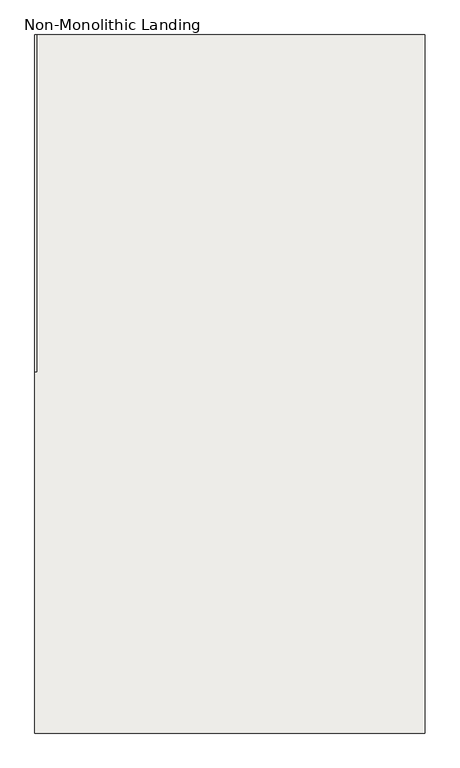
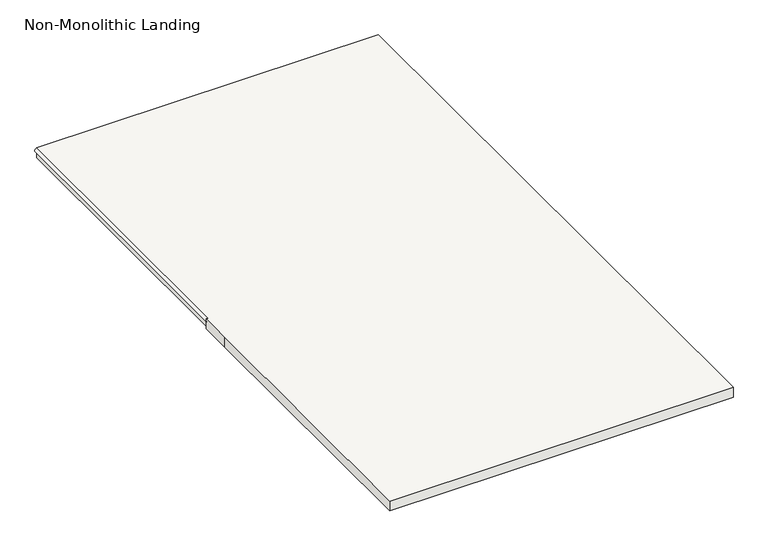
"""IFC4 building model written with IfcOpenShell, lengths in millimetres: slab geometry, Non-Monolithic Landing."""

import ifcopenshell
import ifcopenshell.guid

model = None  # the IFC model being written
_history = None  # IfcOwnerHistory: only IFC2X3 demands one
_inside = {}  # id of a spatial element -> (the spatial element, [elements in it])
_under = {}  # id of a project, library or spatial element -> (it, [spatial elements below it])
_declared = {}  # id of a project -> (the project, [libraries it declares])
_typed = {}  # id of a type object -> (the type object, [elements of that type])
_made_of = {}  # id of a material, layer set ... -> (it, [elements and type objects made of it])


def new_model(schema):
    """Start an empty IFC model of exactly this schema.

    Asked for "IFC4X3", IfcOpenShell would pick the latest addendum, in which some entities
    have other attributes; the version numbers below select the first issue.
    IFC2X3 requires an IfcOwnerHistory on every rooted entity: one is made here for all.
    """
    global model, _history
    if schema == "IFC4X3":
        model = ifcopenshell.file(schema_version=(4, 3, 0, 0))
    else:
        model = ifcopenshell.file(schema=schema)
    _inside.clear()
    _under.clear()
    _declared.clear()
    _typed.clear()
    _made_of.clear()
    _history = None
    if model.schema == "IFC2X3":
        org = make("IfcOrganization", Name="unknown")
        user = make(
            "IfcPersonAndOrganization",
            ThePerson=make("IfcPerson", FamilyName="unknown"),
            TheOrganization=org,
        )
        app = make(
            "IfcApplication",
            ApplicationDeveloper=org,
            Version="unknown",
            ApplicationFullName="unknown",
            ApplicationIdentifier="unknown",
        )
        _history = make(
            "IfcOwnerHistory",
            OwningUser=user,
            OwningApplication=app,
            ChangeAction="ADDED",
            CreationDate=0,
        )
    return model


def make(cls, **values):
    """One entity of the class cls with the attributes given. An attribute that is None is left unset."""
    return model.create_entity(
        cls, **{name: value for name, value in values.items() if value is not None}
    )


def rooted(cls, **values):
    """An entity with a GlobalId (a new one), such as an element, a storey or a relation."""
    return make(cls, GlobalId=ifcopenshell.guid.new(), OwnerHistory=_history, **values)


def si_unit(unit_type, name, prefix=None):
    """IfcSIUnit, for example si_unit("LENGTHUNIT", "METRE", prefix="MILLI")."""
    return make("IfcSIUnit", UnitType=unit_type, Prefix=prefix, Name=name)


def assignment(units):
    """IfcUnitAssignment: the units of a project."""
    return None if units is None else make("IfcUnitAssignment", Units=units)


def point(xyz):
    """IfcCartesianPoint."""
    return None if xyz is None else make("IfcCartesianPoint", Coordinates=xyz)


def direction(xyz):
    """IfcDirection."""
    return None if xyz is None else make("IfcDirection", DirectionRatios=xyz)


def frame(location, z_axis=None, x_axis=None):
    """IfcAxis2Placement3D, a coordinate frame: its origin and axes. An axis left out is left unset."""
    return make(
        "IfcAxis2Placement3D",
        Location=point(location),
        Axis=direction(z_axis),
        RefDirection=direction(x_axis),
    )


def origin():
    """The frame at (0, 0, 0) with its axes left unset."""
    return frame((0.0, 0.0, 0.0))


def place(relative_to, where):
    """IfcLocalPlacement: puts the frame where relative to a parent placement (None: the world)."""
    return make(
        "IfcLocalPlacement", PlacementRelTo=relative_to, RelativePlacement=where
    )


def context(
    kind, dimensions, precision=None, world=None, true_north=None, identifier=None
):
    """IfcGeometricRepresentationContext, for example the 3D "Model" context."""
    return make(
        "IfcGeometricRepresentationContext",
        ContextIdentifier=identifier,
        ContextType=kind,
        CoordinateSpaceDimension=dimensions,
        Precision=precision,
        WorldCoordinateSystem=world,
        TrueNorth=true_north,
    )


def project(units=None, contexts=None):
    """IfcProject with its units and contexts."""
    return rooted(
        "IfcProject",
        Name="project",
        RepresentationContexts=contexts,
        UnitsInContext=assignment(units),
    )


def spatial(cls, under=None, at=None, **own):
    """A site, building, storey or space (cls), placed at a placement, below another one or the project."""
    s = rooted(cls, ObjectPlacement=at, **own)
    if under is not None:
        _under.setdefault(under.id(), (under, []))[1].append(s)
    return s


def circle_curve(where, radius):
    """IfcCircle in the frame where."""
    return make("IfcCircle", Position=where, Radius=radius)


def shape(context_of_items, identifier, shape_type, items):
    """IfcShapeRepresentation: the items that make up one representation, for example the "Body"."""
    return make(
        "IfcShapeRepresentation",
        ContextOfItems=context_of_items,
        RepresentationIdentifier=identifier,
        RepresentationType=shape_type,
        Items=items,
    )


def source(mapping_origin, context_of_items, identifier, shape_type, items):
    """IfcRepresentationMap: a shape defined once, which mapped items show again and again."""
    return make(
        "IfcRepresentationMap",
        MappingOrigin=mapping_origin,
        MappedRepresentation=shape(context_of_items, identifier, shape_type, items),
    )


def transform(
    local_origin,
    x_axis=None,
    y_axis=None,
    z_axis=None,
    scale=None,
    scale2=None,
    scale3=None,
    uniform=True,
):
    """IfcCartesianTransformationOperator3D, or its non-uniform kind. x_axis, y_axis, z_axis: its Axis1, 2, 3."""
    if uniform:
        return make(
            "IfcCartesianTransformationOperator3D",
            Axis1=direction(x_axis),
            Axis2=direction(y_axis),
            LocalOrigin=point(local_origin),
            Scale=scale,
            Axis3=direction(z_axis),
        )
    return make(
        "IfcCartesianTransformationOperator3DnonUniform",
        Axis1=direction(x_axis),
        Axis2=direction(y_axis),
        LocalOrigin=point(local_origin),
        Scale=scale,
        Axis3=direction(z_axis),
        Scale2=scale2,
        Scale3=scale3,
    )


def mapped(mapping_source, mapping_target):
    """IfcMappedItem: shows the shape of a source again, moved by a transform."""
    return make(
        "IfcMappedItem", MappingSource=mapping_source, MappingTarget=mapping_target
    )


def made_of(thing, what):
    """Note that an element or type object is made of a material, layer set ...; save() writes the relation."""
    if what is not None:
        _made_of.setdefault(what.id(), (what, []))[1].append(thing)
    return thing


def element(
    cls,
    number,
    at=None,
    inside=None,
    cuts=None,
    type_object=None,
    material=None,
    context=None,
    identifier="Body",
    shape_type=None,
    held_by="IfcProductDefinitionShape",
    body=None,
    shapes=None,
    **own,
):
    """One element of the class cls, such as IfcWall. Its Tag is "e" and its number.

    at: its placement. inside: the storey or other place that contains it. cuts: it is an
    opening in that element (IfcRelVoidsElement). A single representation is given by context,
    identifier, shape_type and body (its items); several are given by shapes. held_by: the class
    of the entity that holds the representations. save() writes the other relations.
    """
    e = rooted(cls, Tag="e%d" % number, ObjectPlacement=at, **own)
    if body is not None:
        shapes = [shape(context, identifier, shape_type, body)]
    if shapes is not None:
        e.Representation = make(held_by, Representations=shapes)
    if inside is not None:
        _inside.setdefault(inside.id(), (inside, []))[1].append(e)
    if cuts is not None:
        rooted(
            "IfcRelVoidsElement", RelatingBuildingElement=cuts, RelatedOpeningElement=e
        )
    if type_object is not None:
        _typed.setdefault(type_object.id(), (type_object, []))[1].append(e)
    return made_of(e, material)


def aggregate(whole, parts):
    """IfcRelAggregates: a whole, such as a stair, and the parts it consists of."""
    return rooted("IfcRelAggregates", RelatingObject=whole, RelatedObjects=parts)


def save(model, path):
    """Write the relations noted so far, then the file.

    IfcRelAggregates (storeys below a building ...), IfcRelContainedInSpatialStructure (elements
    in a storey), IfcRelDefinesByType, IfcRelAssociatesMaterial and IfcRelDeclares: one each for
    every whole, place, type object, material and project.
    """
    for whole, parts in _under.values():
        aggregate(whole, parts)
    for where, things in _inside.values():
        rooted(
            "IfcRelContainedInSpatialStructure",
            RelatedElements=things,
            RelatingStructure=where,
        )
    for kind, things in _typed.values():
        rooted("IfcRelDefinesByType", RelatedObjects=things, RelatingType=kind)
    for what, things in _made_of.values():
        rooted("IfcRelAssociatesMaterial", RelatedObjects=things, RelatingMaterial=what)
    for by, libraries in _declared.values():
        rooted("IfcRelDeclares", RelatingContext=by, RelatedDefinitions=libraries)
    model.write(path)


def plane_surface(at):
    """IfcPlane: the flat surface through the origin of the frame at, square to its z axis."""
    return make("IfcPlane", Position=at)


def cylinder_surface(at, radius):
    """IfcCylindricalSurface: all points at the distance radius from the z axis of the frame at."""
    return make("IfcCylindricalSurface", Position=at, Radius=radius)


def advanced_brep(points, edges, surfaces, faces):
    """IfcAdvancedBrep: a solid bounded by faces that lie on surfaces and meet in shared edges.

    An edge is (start, end): straight between two places in points (the first is 0);
    or (start, end, curve); or (start, end, curve, False) where it runs against its curve.
    A face is (place in surfaces, loops), or (place, loops, False) where it looks against
    its surface's normal. A loop lists edges by number (the first is 1), with a minus sign
    where the edge is run from its end to its start. The first loop is the outer one.
    """
    corners = [point(p) for p in points]
    vertices = [make("IfcVertexPoint", VertexGeometry=c) for c in corners]
    made = []
    for start, end, *more in edges:
        made.append(
            make(
                "IfcEdgeCurve",
                EdgeStart=vertices[start],
                EdgeEnd=vertices[end],
                EdgeGeometry=more[0] if more else make("IfcPolyline", Points=[corners[start], corners[end]]),
                SameSense=more[1] if len(more) > 1 else True,
            )
        )
    hull = []
    for where, loops, *sense in faces:
        bounds = []
        for j, loop in enumerate(loops):
            ring = [make("IfcOrientedEdge", EdgeElement=made[abs(k) - 1], Orientation=k > 0) for k in loop]
            bounds.append(
                make(
                    "IfcFaceOuterBound" if j == 0 else "IfcFaceBound",
                    Bound=make("IfcEdgeLoop", EdgeList=ring),
                    Orientation=True,
                )
            )
        hull.append(make("IfcAdvancedFace", Bounds=bounds, FaceSurface=surfaces[where], SameSense=sense[0] if sense else True))
    return make("IfcAdvancedBrep", Outer=make("IfcClosedShell", CfsFaces=hull))


def non_monolithic_landing_96c520fd(model_context):
    return source(origin(), model_context, "Body", "AdvancedBrep", [
        advanced_brep(
        [(-21120.801725, 15876.2977117, 1750.0), (-21130.801725, 15876.2977117, 1750.0), (-21130.801725, 15726.3068866, 1750.0), (-21130.801725, 14351.3038348, 1750.0), (-19480.7948462, 14351.3038348, 1750.0), (-19480.7948462, 17301.6731812, 1750.0), (-21120.801725, 17301.6731812, 1750.0), (-21120.801725, 15876.2977117, 1700.0), (-21120.801725, 17301.6731812, 1700.0), (-19480.7948462, 17301.6731812, 1700.0), (-19480.7948462, 14351.3038348, 1700.0), (-21130.801725, 14351.3038348, 1700.0), (-21130.801725, 15726.3068866, 1700.0), (-21130.801725, 15876.2977117, 1700.0), (-21120.801725, 15876.2977117, 1730.0), (-21120.801725, 17301.6731812, 1730.0), (-21130.801725, 15876.2977117, 1740.0)],
        [
            (0, 1),
            (1, 2),
            (2, 3),
            (3, 4),
            (4, 5),
            (5, 6),
            (6, 0),
            (7, 8),
            (8, 9),
            (9, 10),
            (10, 11),
            (11, 12),
            (12, 13),
            (13, 7),
            (7, 14),
            (14, 15),
            (15, 8),
            (0, 16, circle_curve(frame((-21120.801725, 15876.2977117, 1740.0), z_axis=(0.0, -1.0, 0.0), x_axis=(1.0, 0.0, 0.0)), 10.0)),
            (16, 1),
            (13, 16),
            (16, 14, circle_curve(frame((-21120.801725, 15876.2977117, 1740.0), z_axis=(0.0, -1.0, 0.0), x_axis=(1.0, 0.0, 0.0)), 10.0)),
            (12, 2),
            (11, 3),
            (10, 4),
            (9, 5),
            (15, 6, circle_curve(frame((-21120.801725, 17301.6731812, 1740.0), z_axis=(0.0, 1.0, 0.0), x_axis=(1.0, 0.0, 0.0)), 10.0)),
        ],
        [
            plane_surface(frame((-21120.801725, 17301.6731812, 1750.0), z_axis=(0.0, 0.0, 1.0), x_axis=(0.0, -1.0, 0.0))),
            plane_surface(frame((-21120.801725, 17301.6731812, 1700.0), z_axis=(0.0, 0.0, -1.0), x_axis=(0.0, 1.0, 0.0))),
            plane_surface(frame((-21120.801725, 17301.6731812, 1750.0), z_axis=(-1.0, 0.0, 0.0), x_axis=(0.0, 0.0, -1.0))),
            plane_surface(frame((-21120.801725, 15876.2977117, 1750.0), z_axis=(0.0, 1.0, 0.0), x_axis=(0.0, 0.0, -1.0))),
            plane_surface(frame((-21130.801725, 15876.2977117, 1750.0), z_axis=(-1.0, 0.0, 0.0), x_axis=(0.0, 0.0, -1.0))),
            plane_surface(frame((-21130.801725, 15726.3068866, 1750.0), z_axis=(-1.0, 0.0, 0.0), x_axis=(0.0, 0.0, -1.0))),
            plane_surface(frame((-21130.801725, 14351.3038348, 1750.0), z_axis=(0.0, -1.0, 0.0), x_axis=(0.0, 0.0, -1.0))),
            plane_surface(frame((-19480.7948462, 14351.3038348, 1750.0), z_axis=(1.0, 0.0, 0.0), x_axis=(0.0, 0.0, -1.0))),
            plane_surface(frame((-19480.7948462, 17301.6731812, 1750.0), z_axis=(0.0, 1.0, 0.0), x_axis=(0.0, 0.0, -1.0))),
            cylinder_surface(frame((-21120.801725, 15876.2977117, 1740.0), z_axis=(0.0, -1.0, 0.0), x_axis=(1.0, 0.0, 0.0)), 10.0),
        ],
        [
            (0, [[1, 2, 3, 4, 5, 6, 7]]),
            (1, [[8, 9, 10, 11, 12, 13, 14]]),
            (2, [[-8, 15, 16, 17]]),
            (3, [[-1, 18, 19]]),
            (3, [[-14, 20, 21, -15]]),
            (4, [[-2, -19, -20, -13, 22]]),
            (5, [[-3, -22, -12, 23]]),
            (6, [[-4, -23, -11, 24]]),
            (7, [[-5, -24, -10, 25]]),
            (8, [[-6, -25, -9, -17, 26]]),
            (9, [[-26, -16, -21, -18, -7]]),
        ],
    ),
    ])


if __name__ == "__main__":
    model = new_model("IFC4")
    model_context = context("Model", 3, world=origin())
    ifc_project = project(units=[si_unit("LENGTHUNIT", "METRE", prefix="MILLI")], contexts=[model_context])
    site = spatial("IfcSite", under=ifc_project)
    building = spatial("IfcBuilding", under=site)
    placement = place(None, origin())
    non_monolithic_landing_shape = non_monolithic_landing_96c520fd(model_context)
    element("IfcSlab", 1, ObjectType="Non-Monolithic Landing", at=placement, inside=building, context=model_context, shape_type="MappedRepresentation", body=[
        mapped(non_monolithic_landing_shape, transform((0.0, 0.0, 0.0), x_axis=(1.0, 0.0, 0.0), y_axis=(0.0, 1.0, 0.0), z_axis=(0.0, 0.0, 1.0))),
    ])
    save(model, "model.ifc")
